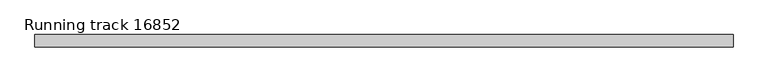
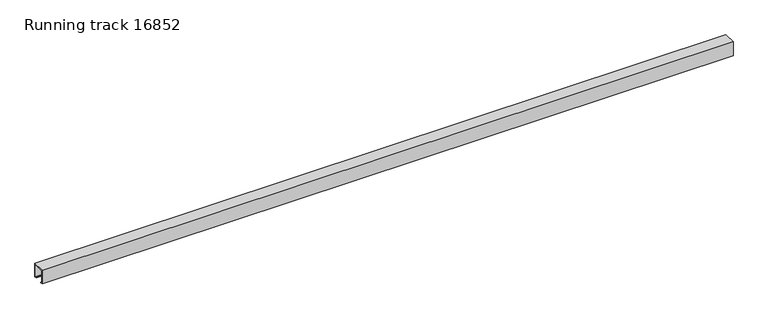
"""IFC4 building model written with IfcOpenShell, lengths in millimetres: proxy geometry, Running track 16852."""

from ifc_helpers import new_model, si_unit, frame, origin, place, context, project, spatial, polyline, outline, extrude, source, transform, mapped, element, save


def running_track_16852_4464f939(model_context):
    return source(origin(), model_context, "Body", "SweptSolid", [
        extrude(outline(polyline([(25.0, 0.0), (17.0, 0.0), (17.0, 3.0), (21.9166556, 3.0), (21.9166556, 55.0), (-22.0, 55.0), (-22.0, 3.0), (-17.0, 3.0), (-17.0, 0.0), (-25.0, 0.0), (-25.0, 58.0), (25.0, 58.0), (25.0, 0.0)])), frame((0.0, 0.0, 0.0), z_axis=(1.0, 0.0, 0.0), x_axis=(0.0, 1.0, 0.0)), (0.0, 0.0, 1.0), 2800.0),
    ])


if __name__ == "__main__":
    model = new_model("IFC4")
    model_context = context("Model", 3, world=origin())
    ifc_project = project(units=[si_unit("LENGTHUNIT", "METRE", prefix="MILLI")], contexts=[model_context])
    site = spatial("IfcSite", under=ifc_project)
    building = spatial("IfcBuilding", under=site)
    placement = place(None, origin())
    running_track_16852_shape = running_track_16852_4464f939(model_context)
    element("IfcBuildingElementProxy", 1, Name="Running track 16852", ObjectType="Running track 16852", at=placement, inside=building, context=model_context, shape_type="MappedRepresentation", body=[
        mapped(running_track_16852_shape, transform((0.0, 0.0, 0.0), x_axis=(1.0, 0.0, 0.0), y_axis=(0.0, 1.0, 0.0), z_axis=(0.0, 0.0, 1.0))),
    ])
    save(model, "model.ifc")
